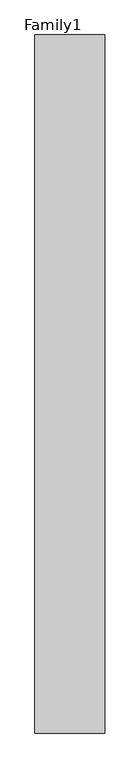
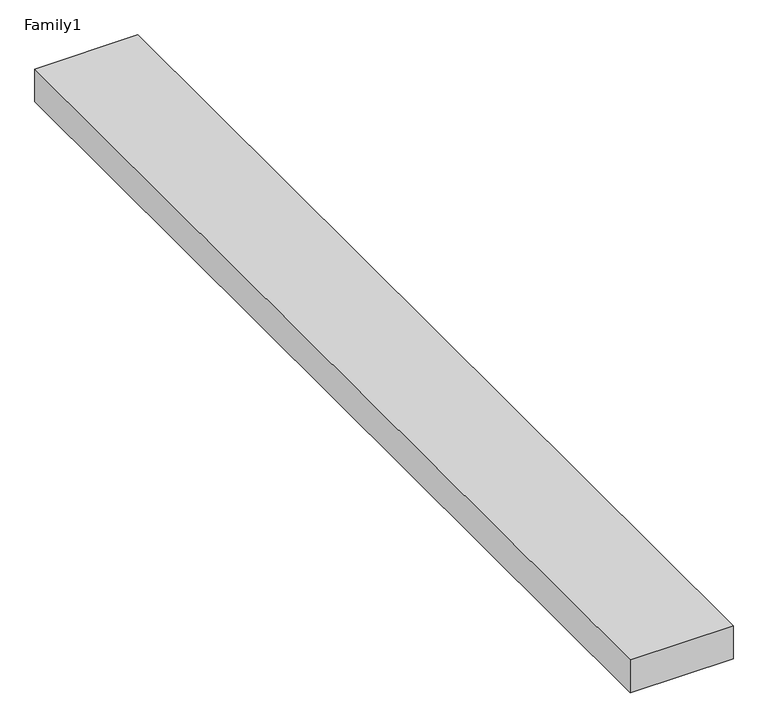
"""IFC4 building model written with IfcOpenShell, lengths in millimetres: proxy geometry, Family1."""

from ifc_helpers import new_model, si_unit, origin, origin_with_axes, place, context, project, spatial, polyline, outline, extrude, source, transform, mapped, element, save


def family1_7117d171(model_context):
    return source(origin(), model_context, "Body", "SweptSolid", [
        extrude(outline(polyline([(5000.0, 0.0), (0.0, 0.0), (0.0, 50000.0), (5000.0, 50000.0), (5000.0, 0.0)])), origin_with_axes(), (0.0, 0.0, 1.0), 1689.0),
    ])


if __name__ == "__main__":
    model = new_model("IFC4")
    model_context = context("Model", 3, world=origin())
    ifc_project = project(units=[si_unit("LENGTHUNIT", "METRE", prefix="MILLI")], contexts=[model_context])
    site = spatial("IfcSite", under=ifc_project)
    building = spatial("IfcBuilding", under=site)
    placement = place(None, origin())
    family1_shape = family1_7117d171(model_context)
    element("IfcBuildingElementProxy", 1, Name="Family1", ObjectType="Family1", at=placement, inside=building, context=model_context, shape_type="MappedRepresentation", body=[
        mapped(family1_shape, transform((0.0, 0.0, 0.0), x_axis=(1.0, 0.0, 0.0), y_axis=(0.0, 1.0, 0.0), z_axis=(0.0, 0.0, 1.0))),
    ])
    save(model, "model.ifc")
